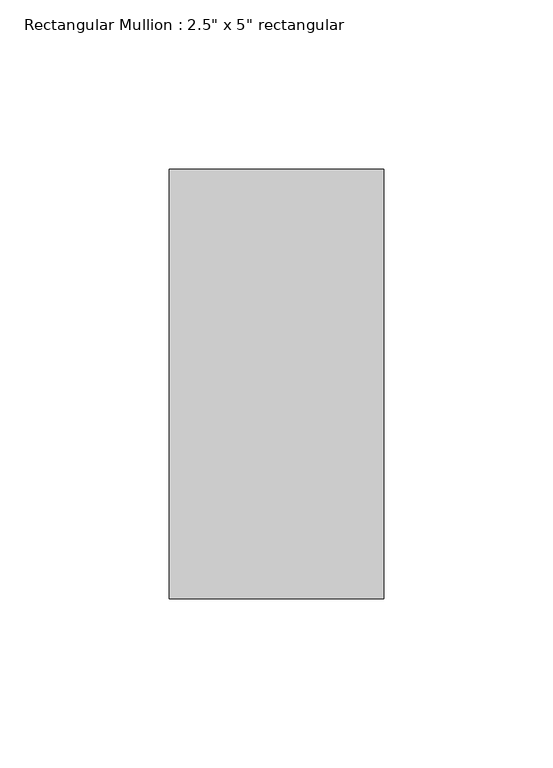
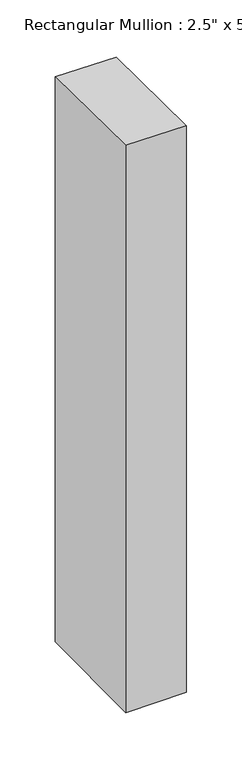
"""IFC4 building model written with IfcOpenShell, lengths in millimetres: member geometry."""

import ifcopenshell
import ifcopenshell.guid

model = None  # the IFC model being written
_history = None  # IfcOwnerHistory: only IFC2X3 demands one
_inside = {}  # id of a spatial element -> (the spatial element, [elements in it])
_under = {}  # id of a project, library or spatial element -> (it, [spatial elements below it])
_declared = {}  # id of a project -> (the project, [libraries it declares])
_typed = {}  # id of a type object -> (the type object, [elements of that type])
_made_of = {}  # id of a material, layer set ... -> (it, [elements and type objects made of it])


def new_model(schema):
    """Start an empty IFC model of exactly this schema.

    Asked for "IFC4X3", IfcOpenShell would pick the latest addendum, in which some entities
    have other attributes; the version numbers below select the first issue.
    IFC2X3 requires an IfcOwnerHistory on every rooted entity: one is made here for all.
    """
    global model, _history
    if schema == "IFC4X3":
        model = ifcopenshell.file(schema_version=(4, 3, 0, 0))
    else:
        model = ifcopenshell.file(schema=schema)
    _inside.clear()
    _under.clear()
    _declared.clear()
    _typed.clear()
    _made_of.clear()
    _history = None
    if model.schema == "IFC2X3":
        org = make("IfcOrganization", Name="unknown")
        user = make(
            "IfcPersonAndOrganization",
            ThePerson=make("IfcPerson", FamilyName="unknown"),
            TheOrganization=org,
        )
        app = make(
            "IfcApplication",
            ApplicationDeveloper=org,
            Version="unknown",
            ApplicationFullName="unknown",
            ApplicationIdentifier="unknown",
        )
        _history = make(
            "IfcOwnerHistory",
            OwningUser=user,
            OwningApplication=app,
            ChangeAction="ADDED",
            CreationDate=0,
        )
    return model


def make(cls, **values):
    """One entity of the class cls with the attributes given. An attribute that is None is left unset."""
    return model.create_entity(
        cls, **{name: value for name, value in values.items() if value is not None}
    )


def rooted(cls, **values):
    """An entity with a GlobalId (a new one), such as an element, a storey or a relation."""
    return make(cls, GlobalId=ifcopenshell.guid.new(), OwnerHistory=_history, **values)


def si_unit(unit_type, name, prefix=None):
    """IfcSIUnit, for example si_unit("LENGTHUNIT", "METRE", prefix="MILLI")."""
    return make("IfcSIUnit", UnitType=unit_type, Prefix=prefix, Name=name)


def assignment(units):
    """IfcUnitAssignment: the units of a project."""
    return None if units is None else make("IfcUnitAssignment", Units=units)


def point(xyz):
    """IfcCartesianPoint."""
    return None if xyz is None else make("IfcCartesianPoint", Coordinates=xyz)


def direction(xyz):
    """IfcDirection."""
    return None if xyz is None else make("IfcDirection", DirectionRatios=xyz)


def frame(location, z_axis=None, x_axis=None):
    """IfcAxis2Placement3D, a coordinate frame: its origin and axes. An axis left out is left unset."""
    return make(
        "IfcAxis2Placement3D",
        Location=point(location),
        Axis=direction(z_axis),
        RefDirection=direction(x_axis),
    )


def origin():
    """The frame at (0, 0, 0) with its axes left unset."""
    return frame((0.0, 0.0, 0.0))


def place(relative_to, where):
    """IfcLocalPlacement: puts the frame where relative to a parent placement (None: the world)."""
    return make(
        "IfcLocalPlacement", PlacementRelTo=relative_to, RelativePlacement=where
    )


def context(
    kind, dimensions, precision=None, world=None, true_north=None, identifier=None
):
    """IfcGeometricRepresentationContext, for example the 3D "Model" context."""
    return make(
        "IfcGeometricRepresentationContext",
        ContextIdentifier=identifier,
        ContextType=kind,
        CoordinateSpaceDimension=dimensions,
        Precision=precision,
        WorldCoordinateSystem=world,
        TrueNorth=true_north,
    )


def project(units=None, contexts=None):
    """IfcProject with its units and contexts."""
    return rooted(
        "IfcProject",
        Name="project",
        RepresentationContexts=contexts,
        UnitsInContext=assignment(units),
    )


def spatial(cls, under=None, at=None, **own):
    """A site, building, storey or space (cls), placed at a placement, below another one or the project."""
    s = rooted(cls, ObjectPlacement=at, **own)
    if under is not None:
        _under.setdefault(under.id(), (under, []))[1].append(s)
    return s


def faces_of(points, faces, orient=None, outer=None):
    """IfcFace entities. A face is a list of loops; a loop is a list of indices into points, from 0.

    orient and outer hold one flag for each loop. By default every Orientation is true, the
    first loop of a face is its IfcFaceOuterBound and the others are IfcFaceBound.
    """
    made = []
    for i, loops in enumerate(faces):
        bounds = []
        for j, loop in enumerate(loops):
            is_outer = j == 0 if outer is None else outer[i][j]
            bounds.append(
                make(
                    "IfcFaceOuterBound" if is_outer else "IfcFaceBound",
                    Bound=make("IfcPolyLoop", Polygon=[points[k] for k in loop]),
                    Orientation=True if orient is None else orient[i][j],
                )
            )
        made.append(make("IfcFace", Bounds=bounds))
    return made


def faceted_brep(points, faces, orient=None, outer=None, voids=None):
    """IfcFacetedBrep: a solid bounded by flat faces; with voids (closed shells), ...WithVoids."""
    shared = [point(p) for p in points]
    hull = make("IfcClosedShell", CfsFaces=faces_of(shared, faces, orient, outer))
    if voids is None:
        return make("IfcFacetedBrep", Outer=hull)
    return make(
        "IfcFacetedBrepWithVoids",
        Outer=hull,
        Voids=[
            make(cls, CfsFaces=faces_of(shared, fs, o, b)) for cls, fs, o, b in voids
        ],
    )


def shape(context_of_items, identifier, shape_type, items):
    """IfcShapeRepresentation: the items that make up one representation, for example the "Body"."""
    return make(
        "IfcShapeRepresentation",
        ContextOfItems=context_of_items,
        RepresentationIdentifier=identifier,
        RepresentationType=shape_type,
        Items=items,
    )


def source(mapping_origin, context_of_items, identifier, shape_type, items):
    """IfcRepresentationMap: a shape defined once, which mapped items show again and again."""
    return make(
        "IfcRepresentationMap",
        MappingOrigin=mapping_origin,
        MappedRepresentation=shape(context_of_items, identifier, shape_type, items),
    )


def transform(
    local_origin,
    x_axis=None,
    y_axis=None,
    z_axis=None,
    scale=None,
    scale2=None,
    scale3=None,
    uniform=True,
):
    """IfcCartesianTransformationOperator3D, or its non-uniform kind. x_axis, y_axis, z_axis: its Axis1, 2, 3."""
    if uniform:
        return make(
            "IfcCartesianTransformationOperator3D",
            Axis1=direction(x_axis),
            Axis2=direction(y_axis),
            LocalOrigin=point(local_origin),
            Scale=scale,
            Axis3=direction(z_axis),
        )
    return make(
        "IfcCartesianTransformationOperator3DnonUniform",
        Axis1=direction(x_axis),
        Axis2=direction(y_axis),
        LocalOrigin=point(local_origin),
        Scale=scale,
        Axis3=direction(z_axis),
        Scale2=scale2,
        Scale3=scale3,
    )


def mapped(mapping_source, mapping_target):
    """IfcMappedItem: shows the shape of a source again, moved by a transform."""
    return make(
        "IfcMappedItem", MappingSource=mapping_source, MappingTarget=mapping_target
    )


def made_of(thing, what):
    """Note that an element or type object is made of a material, layer set ...; save() writes the relation."""
    if what is not None:
        _made_of.setdefault(what.id(), (what, []))[1].append(thing)
    return thing


def element(
    cls,
    number,
    at=None,
    inside=None,
    cuts=None,
    type_object=None,
    material=None,
    context=None,
    identifier="Body",
    shape_type=None,
    held_by="IfcProductDefinitionShape",
    body=None,
    shapes=None,
    **own,
):
    """One element of the class cls, such as IfcWall. Its Tag is "e" and its number.

    at: its placement. inside: the storey or other place that contains it. cuts: it is an
    opening in that element (IfcRelVoidsElement). A single representation is given by context,
    identifier, shape_type and body (its items); several are given by shapes. held_by: the class
    of the entity that holds the representations. save() writes the other relations.
    """
    e = rooted(cls, Tag="e%d" % number, ObjectPlacement=at, **own)
    if body is not None:
        shapes = [shape(context, identifier, shape_type, body)]
    if shapes is not None:
        e.Representation = make(held_by, Representations=shapes)
    if inside is not None:
        _inside.setdefault(inside.id(), (inside, []))[1].append(e)
    if cuts is not None:
        rooted(
            "IfcRelVoidsElement", RelatingBuildingElement=cuts, RelatedOpeningElement=e
        )
    if type_object is not None:
        _typed.setdefault(type_object.id(), (type_object, []))[1].append(e)
    return made_of(e, material)


def aggregate(whole, parts):
    """IfcRelAggregates: a whole, such as a stair, and the parts it consists of."""
    return rooted("IfcRelAggregates", RelatingObject=whole, RelatedObjects=parts)


def save(model, path):
    """Write the relations noted so far, then the file.

    IfcRelAggregates (storeys below a building ...), IfcRelContainedInSpatialStructure (elements
    in a storey), IfcRelDefinesByType, IfcRelAssociatesMaterial and IfcRelDeclares: one each for
    every whole, place, type object, material and project.
    """
    for whole, parts in _under.values():
        aggregate(whole, parts)
    for where, things in _inside.values():
        rooted(
            "IfcRelContainedInSpatialStructure",
            RelatedElements=things,
            RelatingStructure=where,
        )
    for kind, things in _typed.values():
        rooted("IfcRelDefinesByType", RelatedObjects=things, RelatingType=kind)
    for what, things in _made_of.values():
        rooted("IfcRelAssociatesMaterial", RelatedObjects=things, RelatingMaterial=what)
    for by, libraries in _declared.values():
        rooted("IfcRelDeclares", RelatingContext=by, RelatedDefinitions=libraries)
    model.write(path)


def member_99befc3e(model_context):
    return source(origin(), model_context, "Body", "Brep", [
        faceted_brep([(-63.5, 63.5, -0.2682656), (0.0, 63.5, -0.741159), (0.0, 63.5, -623.1089433), (-63.5, 63.5, -623.4469627), (-63.5, -63.5, 1.2140524), (-63.5, -63.5, -624.9211154), (0.0, -63.5, 0.741159), (0.0, -63.5, -624.5830961)], [[[0, 1, 2, 3]], [[4, 0, 3, 5]], [[6, 4, 5, 7]], [[1, 6, 7, 2]], [[1, 0, 4, 6]], [[2, 7, 5, 3]]]),
    ])


if __name__ == "__main__":
    model = new_model("IFC4")
    model_context = context("Model", 3, world=origin())
    ifc_project = project(units=[si_unit("LENGTHUNIT", "METRE", prefix="MILLI")], contexts=[model_context])
    site = spatial("IfcSite", under=ifc_project)
    building = spatial("IfcBuilding", under=site)
    placement = place(None, origin())
    member_shape = member_99befc3e(model_context)
    element("IfcMember", 1, ObjectType="Rectangular Mullion : 2.5\" x 5\" rectangular", at=placement, inside=building, context=model_context, shape_type="MappedRepresentation", body=[
        mapped(member_shape, transform((0.0, 0.0, 0.0), x_axis=(1.0, 0.0, 0.0), y_axis=(0.0, 1.0, 0.0), z_axis=(0.0, 0.0, 1.0))),
    ])
    save(model, "model.ifc")
